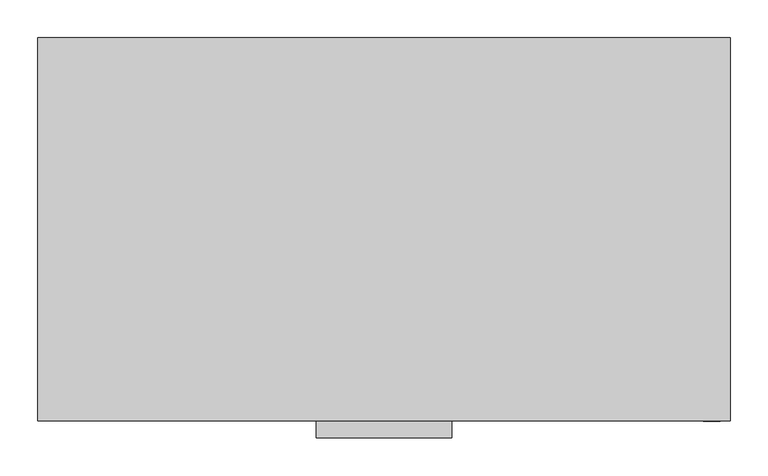
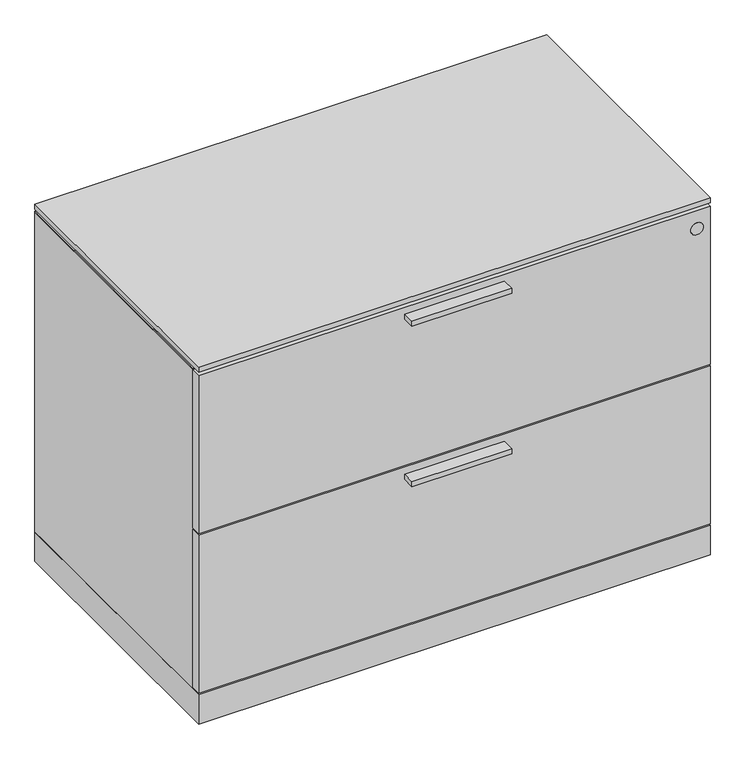
"""IFC4 building model written with IfcOpenShell, lengths in millimetres: furniture geometry."""

from ifc_helpers import new_model, si_unit, point, frame, frame_2d, origin, origin_with_axes, place, context, project, spatial, polyline, circle_curve, trimmed, segment, composite_curve, outline, extrude, faceted_brep, source, transform, mapped, element, save


def furniture_653cca2e(model_context):
    return source(origin(), model_context, "Body", "SolidModel", [
        extrude(outline(polyline([(544.5125, -527.05), (366.7125, -527.05), (366.7125, -504.825), (544.5125, -504.825), (544.5125, -527.05)])), frame((0.0, 0.0, 335.49336), z_axis=(0.0, 0.0, 1.0), x_axis=(1.0, 0.0, 0.0)), (0.0, 0.0, 1.0), 9.525),
        extrude(outline(polyline([(544.5125, -527.05), (366.7125, -527.05), (366.7125, -504.825), (544.5125, -504.825), (544.5125, -527.05)])), frame((0.0, 0.0, 637.24536), z_axis=(0.0, 0.0, 1.0), x_axis=(1.0, 0.0, 0.0)), (0.0, 0.0, 1.0), 9.525),
        extrude(outline(polyline([(0.0, 0.0), (911.225, 0.0), (911.225, -486.6767), (0.0, -486.6767), (0.0, 0.0)])), frame((0.0, 0.0, 660.7302), z_axis=(0.0, 0.0, 1.0), x_axis=(1.0, 0.0, 0.0)), (0.0, 0.0, 1.0), 1.905),
        extrude(outline(composite_curve([segment(trimmed(circle_curve(frame_2d((625.2972, 887.4125)), 11.18616), [point((625.2972, 898.59866))], [point((625.2972, 876.22634))], False, "CARTESIAN"), True, "CONTINUOUS"), segment(trimmed(circle_curve(frame_2d((625.2972, 887.4125)), 11.18616), [point((625.2972, 876.22634))], [point((625.2972, 898.59866))], False, "CARTESIAN"), True, "CONTINUOUS")], self_intersect=False)), frame((0.0, -505.079, 0.0), z_axis=(0.0, 1.0, 0.0), x_axis=(0.0, 0.0, 1.0)), (0.0, 0.0, 1.0), 4.69392),
        extrude(outline(polyline([(911.225, -486.6767), (911.225, -504.825), (0.0, -504.825), (0.0, -486.6767), (911.225, -486.6767)])), frame((0.0, 0.0, 61.9252), z_axis=(0.0, 0.0, 1.0), x_axis=(1.0, 0.0, 0.0)), (0.0, 0.0, 1.0), 297.053),
        extrude(outline(polyline([(911.225, -486.6767), (911.225, -504.825), (0.0, -504.825), (0.0, -486.6767), (911.225, -486.6767)])), frame((0.0, 0.0, 362.1532), z_axis=(0.0, 0.0, 1.0), x_axis=(1.0, 0.0, 0.0)), (0.0, 0.0, 1.0), 297.053),
        extrude(outline(polyline([(44.5897, -26.1874), (60.2488, -35.2281856), (60.2488, -53.3097568), (44.5897, -62.3505424), (28.9306, -53.3097568), (28.9306, -35.2281856), (44.5897, -26.1874)])), origin_with_axes(), (0.0, 0.0, 1.0), 8.4328),
        extrude(outline(polyline([(44.5897, -478.6376), (28.9306, -469.5968144), (28.9306, -451.5152432), (44.5897, -442.4744576), (60.2488, -451.5152432), (60.2488, -469.5968144), (44.5897, -478.6376)])), origin_with_axes(), (0.0, 0.0, 1.0), 8.4328),
        extrude(outline(polyline([(866.6353, -26.1874), (882.2944, -35.2281856), (882.2944, -53.3097568), (866.6353, -62.3505424), (850.9762, -53.3097568), (850.9762, -35.2281856), (866.6353, -26.1874)])), origin_with_axes(), (0.0, 0.0, 1.0), 8.4328),
        extrude(outline(polyline([(866.6353, -478.6376), (850.9762, -469.5968144), (850.9762, -451.5152432), (866.6353, -442.4744576), (882.2944, -451.5152432), (882.2944, -469.5968144), (866.6353, -478.6376)])), origin_with_axes(), (0.0, 0.0, 1.0), 8.4328),
        extrude(outline(polyline([(911.225, -504.825), (0.0, -504.825), (0.0, 0.0), (911.225, 0.0), (911.225, -504.825)])), frame((0.0, 0.0, 666.0642), z_axis=(0.0, 0.0, 1.0), x_axis=(1.0, 0.0, 0.0)), (0.0, 0.0, 1.0), 9.525),
        extrude(outline(polyline([(911.225, 0.0), (911.225, -504.825), (0.0, -504.825), (0.0, 0.0), (911.225, 0.0)])), frame((0.0, 0.0, 3.5814), z_axis=(0.0, 0.0, 1.0), x_axis=(1.0, 0.0, 0.0)), (0.0, 0.0, 1.0), 55.1688),
        faceted_brep([(911.225, 0.0, 660.7302), (911.225, 0.0, 58.7502), (0.0, 0.0, 58.7502), (0.0, 0.0, 660.7302), (0.0, -486.6767, 660.7302), (911.225, -486.6767, 660.7302), (0.0, -486.6767, 58.7502), (911.225, -486.6767, 58.7502), (891.921, -486.6767, 58.7502), (891.921, -19.304, 58.7502), (19.304, -19.304, 58.7502), (19.304, -486.6767, 58.7502), (891.921, -19.304, 641.4262), (19.304, -19.304, 641.4262), (891.921, -486.6767, 641.4262), (19.304, -486.6767, 641.4262)], [[[0, 1, 2, 3]], [[0, 3, 4, 5]], [[3, 2, 6, 4]], [[2, 1, 7, 8, 9, 10, 11, 6]], [[1, 0, 5, 7]], [[12, 13, 10, 9]], [[13, 12, 14, 15]], [[10, 13, 15, 11]], [[12, 9, 8, 14]], [[5, 4, 6, 11, 15, 14, 8, 7]]]),
    ])


if __name__ == "__main__":
    model = new_model("IFC4")
    model_context = context("Model", 3, world=origin())
    ifc_project = project(units=[si_unit("LENGTHUNIT", "METRE", prefix="MILLI")], contexts=[model_context])
    site = spatial("IfcSite", under=ifc_project)
    building = spatial("IfcBuilding", under=site)
    placement = place(None, origin())
    furniture_shape = furniture_653cca2e(model_context)
    element("IfcFurniture", 1, at=placement, inside=building, context=model_context, shape_type="MappedRepresentation", body=[
        mapped(furniture_shape, transform((0.0, 0.0, 0.0), x_axis=(1.0, 0.0, 0.0), y_axis=(0.0, 1.0, 0.0), z_axis=(0.0, 0.0, 1.0))),
    ])
    save(model, "model.ifc")
